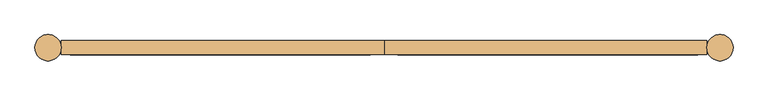
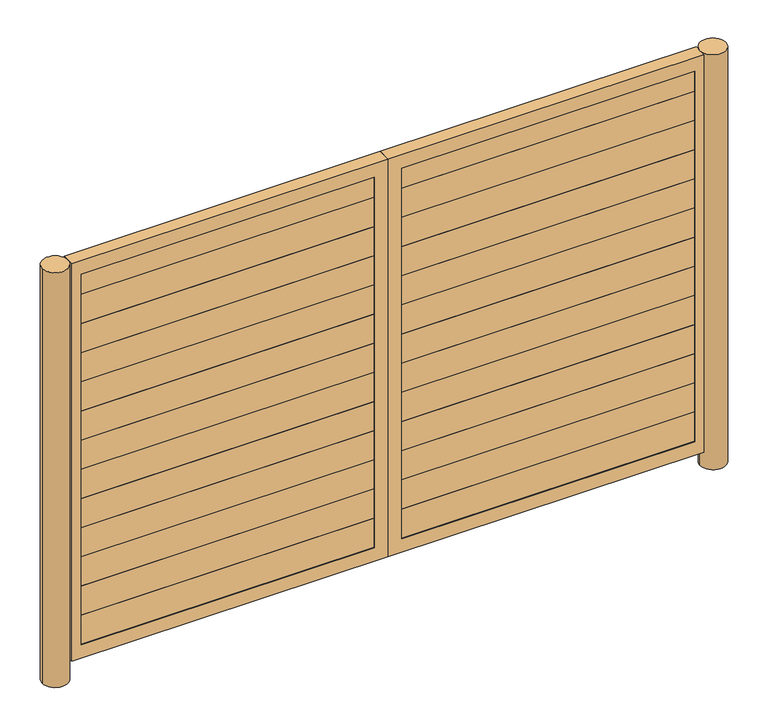
"""IFC4 building model written with IfcOpenShell, lengths in millimetres: door geometry."""

from ifc_helpers import new_model, si_unit, point, frame, frame_2d, origin, origin_with_axes, place, context, project, spatial, polyline, circle_curve, trimmed, segment, composite_curve, outline, extrude, source, transform, mapped, element, save


def door_3a45af48(model_context):
    return source(origin(), model_context, "Body", "SweptSolid", [
        extrude(outline(polyline([(33.3375, 2238.375), (-33.3375, 2238.375), (-33.3375, 2409.825), (33.3375, 2409.825), (33.3375, 2385.21875), (-4.7625, 2348.70625), (-4.7625, 2299.49375), (33.3375, 2262.98125), (33.3375, 2238.375)])), frame((-1706.5625, 0.0, 0.0), z_axis=(1.0, 0.0, 0.0), x_axis=(0.0, 1.0, 0.0)), (0.0, 0.0, 1.0), 1630.3625),
        extrude(outline(polyline([(33.3375, 2066.925), (-33.3375, 2066.925), (-33.3375, 2238.375), (33.3375, 2238.375), (33.3375, 2213.76875), (-4.7625, 2177.25625), (-4.7625, 2128.04375), (33.3375, 2091.53125), (33.3375, 2066.925)])), frame((-1706.5625, 0.0, 0.0), z_axis=(1.0, 0.0, 0.0), x_axis=(0.0, 1.0, 0.0)), (0.0, 0.0, 1.0), 1630.3625),
        extrude(outline(polyline([(33.3375, 1895.475), (-33.3375, 1895.475), (-33.3375, 2066.925), (33.3375, 2066.925), (33.3375, 2042.31875), (-4.7625, 2005.80625), (-4.7625, 1956.59375), (33.3375, 1920.08125), (33.3375, 1895.475)])), frame((-1706.5625, 0.0, 0.0), z_axis=(1.0, 0.0, 0.0), x_axis=(0.0, 1.0, 0.0)), (0.0, 0.0, 1.0), 1630.3625),
        extrude(outline(polyline([(33.3375, 1724.025), (-33.3375, 1724.025), (-33.3375, 1895.475), (33.3375, 1895.475), (33.3375, 1870.86875), (-4.7625, 1834.35625), (-4.7625, 1785.14375), (33.3375, 1748.63125), (33.3375, 1724.025)])), frame((-1706.5625, 0.0, 0.0), z_axis=(1.0, 0.0, 0.0), x_axis=(0.0, 1.0, 0.0)), (0.0, 0.0, 1.0), 1630.3625),
        extrude(outline(polyline([(33.3375, 1552.575), (-33.3375, 1552.575), (-33.3375, 1724.025), (33.3375, 1724.025), (33.3375, 1699.41875), (-4.7625, 1662.90625), (-4.7625, 1613.69375), (33.3375, 1577.18125), (33.3375, 1552.575)])), frame((-1706.5625, 0.0, 0.0), z_axis=(1.0, 0.0, 0.0), x_axis=(0.0, 1.0, 0.0)), (0.0, 0.0, 1.0), 1630.3625),
        extrude(outline(polyline([(33.3375, 1381.125), (-33.3375, 1381.125), (-33.3375, 1552.575), (33.3375, 1552.575), (33.3375, 1527.96875), (-4.7625, 1491.45625), (-4.7625, 1442.24375), (33.3375, 1405.73125), (33.3375, 1381.125)])), frame((-1706.5625, 0.0, 0.0), z_axis=(1.0, 0.0, 0.0), x_axis=(0.0, 1.0, 0.0)), (0.0, 0.0, 1.0), 1630.3625),
        extrude(outline(polyline([(33.3375, 1209.675), (-33.3375, 1209.675), (-33.3375, 1381.125), (33.3375, 1381.125), (33.3375, 1356.51875), (-4.7625, 1320.00625), (-4.7625, 1270.79375), (33.3375, 1234.28125), (33.3375, 1209.675)])), frame((-1706.5625, 0.0, 0.0), z_axis=(1.0, 0.0, 0.0), x_axis=(0.0, 1.0, 0.0)), (0.0, 0.0, 1.0), 1630.3625),
        extrude(outline(polyline([(33.3375, 1038.225), (-33.3375, 1038.225), (-33.3375, 1209.675), (33.3375, 1209.675), (33.3375, 1185.06875), (-4.7625, 1148.55625), (-4.7625, 1099.34375), (33.3375, 1062.83125), (33.3375, 1038.225)])), frame((-1706.5625, 0.0, 0.0), z_axis=(1.0, 0.0, 0.0), x_axis=(0.0, 1.0, 0.0)), (0.0, 0.0, 1.0), 1630.3625),
        extrude(outline(polyline([(33.3375, 866.775), (-33.3375, 866.775), (-33.3375, 1038.225), (33.3375, 1038.225), (33.3375, 1013.61875), (-4.7625, 977.10625), (-4.7625, 927.89375), (33.3375, 891.38125), (33.3375, 866.775)])), frame((-1706.5625, 0.0, 0.0), z_axis=(1.0, 0.0, 0.0), x_axis=(0.0, 1.0, 0.0)), (0.0, 0.0, 1.0), 1630.3625),
        extrude(outline(polyline([(33.3375, 695.325), (-33.3375, 695.325), (-33.3375, 866.775), (33.3375, 866.775), (33.3375, 842.16875), (-4.7625, 805.65625), (-4.7625, 756.44375), (33.3375, 719.93125), (33.3375, 695.325)])), frame((-1706.5625, 0.0, 0.0), z_axis=(1.0, 0.0, 0.0), x_axis=(0.0, 1.0, 0.0)), (0.0, 0.0, 1.0), 1630.3625),
        extrude(outline(polyline([(33.3375, 523.875), (-33.3375, 523.875), (-33.3375, 695.325), (33.3375, 695.325), (33.3375, 670.71875), (-4.7625, 634.20625), (-4.7625, 584.99375), (33.3375, 548.48125), (33.3375, 523.875)])), frame((-1706.5625, 0.0, 0.0), z_axis=(1.0, 0.0, 0.0), x_axis=(0.0, 1.0, 0.0)), (0.0, 0.0, 1.0), 1630.3625),
        extrude(outline(polyline([(33.3375, 352.425), (-33.3375, 352.425), (-33.3375, 523.875), (33.3375, 523.875), (33.3375, 499.26875), (-4.7625, 462.75625), (-4.7625, 413.54375), (33.3375, 377.03125), (33.3375, 352.425)])), frame((-1706.5625, 0.0, 0.0), z_axis=(1.0, 0.0, 0.0), x_axis=(0.0, 1.0, 0.0)), (0.0, 0.0, 1.0), 1630.3625),
        extrude(outline(polyline([(33.3375, 180.975), (-33.3375, 180.975), (-33.3375, 352.425), (33.3375, 352.425), (33.3375, 327.81875), (-4.7625, 291.30625), (-4.7625, 242.09375), (33.3375, 205.58125), (33.3375, 180.975)])), frame((-1706.5625, 0.0, 0.0), z_axis=(1.0, 0.0, 0.0), x_axis=(0.0, 1.0, 0.0)), (0.0, 0.0, 1.0), 1630.3625),
        extrude(outline(polyline([(33.3375, 2238.375), (-33.3375, 2238.375), (-33.3375, 2409.825), (33.3375, 2409.825), (33.3375, 2385.21875), (-4.7625, 2348.70625), (-4.7625, 2299.49375), (33.3375, 2262.98125), (33.3375, 2238.375)])), frame((76.2, 0.0, 0.0), z_axis=(1.0, 0.0, 0.0), x_axis=(0.0, 1.0, 0.0)), (0.0, 0.0, 1.0), 1630.3625),
        extrude(outline(polyline([(33.3375, 2066.925), (-33.3375, 2066.925), (-33.3375, 2238.375), (33.3375, 2238.375), (33.3375, 2213.76875), (-4.7625, 2177.25625), (-4.7625, 2128.04375), (33.3375, 2091.53125), (33.3375, 2066.925)])), frame((76.2, 0.0, 0.0), z_axis=(1.0, 0.0, 0.0), x_axis=(0.0, 1.0, 0.0)), (0.0, 0.0, 1.0), 1630.3625),
        extrude(outline(polyline([(33.3375, 1895.475), (-33.3375, 1895.475), (-33.3375, 2066.925), (33.3375, 2066.925), (33.3375, 2042.31875), (-4.7625, 2005.80625), (-4.7625, 1956.59375), (33.3375, 1920.08125), (33.3375, 1895.475)])), frame((76.2, 0.0, 0.0), z_axis=(1.0, 0.0, 0.0), x_axis=(0.0, 1.0, 0.0)), (0.0, 0.0, 1.0), 1630.3625),
        extrude(outline(polyline([(33.3375, 1724.025), (-33.3375, 1724.025), (-33.3375, 1895.475), (33.3375, 1895.475), (33.3375, 1870.86875), (-4.7625, 1834.35625), (-4.7625, 1785.14375), (33.3375, 1748.63125), (33.3375, 1724.025)])), frame((76.2, 0.0, 0.0), z_axis=(1.0, 0.0, 0.0), x_axis=(0.0, 1.0, 0.0)), (0.0, 0.0, 1.0), 1630.3625),
        extrude(outline(polyline([(33.3375, 1552.575), (-33.3375, 1552.575), (-33.3375, 1724.025), (33.3375, 1724.025), (33.3375, 1699.41875), (-4.7625, 1662.90625), (-4.7625, 1613.69375), (33.3375, 1577.18125), (33.3375, 1552.575)])), frame((76.2, 0.0, 0.0), z_axis=(1.0, 0.0, 0.0), x_axis=(0.0, 1.0, 0.0)), (0.0, 0.0, 1.0), 1630.3625),
        extrude(outline(polyline([(33.3375, 1381.125), (-33.3375, 1381.125), (-33.3375, 1552.575), (33.3375, 1552.575), (33.3375, 1527.96875), (-4.7625, 1491.45625), (-4.7625, 1442.24375), (33.3375, 1405.73125), (33.3375, 1381.125)])), frame((76.2, 0.0, 0.0), z_axis=(1.0, 0.0, 0.0), x_axis=(0.0, 1.0, 0.0)), (0.0, 0.0, 1.0), 1630.3625),
        extrude(outline(polyline([(33.3375, 1209.675), (-33.3375, 1209.675), (-33.3375, 1381.125), (33.3375, 1381.125), (33.3375, 1356.51875), (-4.7625, 1320.00625), (-4.7625, 1270.79375), (33.3375, 1234.28125), (33.3375, 1209.675)])), frame((76.2, 0.0, 0.0), z_axis=(1.0, 0.0, 0.0), x_axis=(0.0, 1.0, 0.0)), (0.0, 0.0, 1.0), 1630.3625),
        extrude(outline(polyline([(33.3375, 1038.225), (-33.3375, 1038.225), (-33.3375, 1209.675), (33.3375, 1209.675), (33.3375, 1185.06875), (-4.7625, 1148.55625), (-4.7625, 1099.34375), (33.3375, 1062.83125), (33.3375, 1038.225)])), frame((76.2, 0.0, 0.0), z_axis=(1.0, 0.0, 0.0), x_axis=(0.0, 1.0, 0.0)), (0.0, 0.0, 1.0), 1630.3625),
        extrude(outline(polyline([(33.3375, 866.775), (-33.3375, 866.775), (-33.3375, 1038.225), (33.3375, 1038.225), (33.3375, 1013.61875), (-4.7625, 977.10625), (-4.7625, 927.89375), (33.3375, 891.38125), (33.3375, 866.775)])), frame((76.2, 0.0, 0.0), z_axis=(1.0, 0.0, 0.0), x_axis=(0.0, 1.0, 0.0)), (0.0, 0.0, 1.0), 1630.3625),
        extrude(outline(polyline([(33.3375, 695.325), (-33.3375, 695.325), (-33.3375, 866.775), (33.3375, 866.775), (33.3375, 842.16875), (-4.7625, 805.65625), (-4.7625, 756.44375), (33.3375, 719.93125), (33.3375, 695.325)])), frame((76.2, 0.0, 0.0), z_axis=(1.0, 0.0, 0.0), x_axis=(0.0, 1.0, 0.0)), (0.0, 0.0, 1.0), 1630.3625),
        extrude(outline(polyline([(33.3375, 523.875), (-33.3375, 523.875), (-33.3375, 695.325), (33.3375, 695.325), (33.3375, 670.71875), (-4.7625, 634.20625), (-4.7625, 584.99375), (33.3375, 548.48125), (33.3375, 523.875)])), frame((76.2, 0.0, 0.0), z_axis=(1.0, 0.0, 0.0), x_axis=(0.0, 1.0, 0.0)), (0.0, 0.0, 1.0), 1630.3625),
        extrude(outline(polyline([(33.3375, 352.425), (-33.3375, 352.425), (-33.3375, 523.875), (33.3375, 523.875), (33.3375, 499.26875), (-4.7625, 462.75625), (-4.7625, 413.54375), (33.3375, 377.03125), (33.3375, 352.425)])), frame((76.2, 0.0, 0.0), z_axis=(1.0, 0.0, 0.0), x_axis=(0.0, 1.0, 0.0)), (0.0, 0.0, 1.0), 1630.3625),
        extrude(outline(polyline([(33.3375, 180.975), (-33.3375, 180.975), (-33.3375, 352.425), (33.3375, 352.425), (33.3375, 327.81875), (-4.7625, 291.30625), (-4.7625, 242.09375), (33.3375, 205.58125), (33.3375, 180.975)])), frame((76.2, 0.0, 0.0), z_axis=(1.0, 0.0, 0.0), x_axis=(0.0, 1.0, 0.0)), (0.0, 0.0, 1.0), 1630.3625),
        extrude(outline(composite_curve([segment(trimmed(circle_curve(frame_2d((-1828.8, 0.0)), 71.4375), [point((-1900.2375, 0.0))], [point((-1757.3625, 0.0))], False, "CARTESIAN"), True, "CONTINUOUS"), segment(trimmed(circle_curve(frame_2d((-1828.8, 0.0)), 71.4375), [point((-1757.3625, 0.0))], [point((-1900.2375, 0.0))], False, "CARTESIAN"), True, "CONTINUOUS")], self_intersect=False)), origin_with_axes(), (0.0, 0.0, 1.0), 2438.4),
        extrude(outline(composite_curve([segment(trimmed(circle_curve(frame_2d((1828.8, 0.0)), 71.4375), [point((1757.3625, 0.0))], [point((1900.2375, 0.0))], False, "CARTESIAN"), True, "CONTINUOUS"), segment(trimmed(circle_curve(frame_2d((1828.8, 0.0)), 71.4375), [point((1900.2375, 0.0))], [point((1757.3625, 0.0))], False, "CARTESIAN"), True, "CONTINUOUS")], self_intersect=False)), origin_with_axes(), (0.0, 0.0, 1.0), 2438.4),
        extrude(outline(polyline([(2438.4, -1757.3625), (101.6, -1757.3625), (101.6, 0.0), (2438.4, 0.0), (2438.4, -1757.3625)]), holes=[polyline([(2359.025, -1706.5625), (2359.025, -76.2), (180.975, -76.2), (180.975, -1706.5625), (2359.025, -1706.5625)])]), frame((0.0, -38.1, 0.0), z_axis=(0.0, 1.0, 0.0), x_axis=(0.0, 0.0, 1.0)), (0.0, 0.0, 1.0), 76.2),
        extrude(outline(polyline([(2438.4, 0.0), (101.6, 0.0), (101.6, 1757.3625), (2438.4, 1757.3625), (2438.4, 0.0)]), holes=[polyline([(2359.025, 76.2), (2359.025, 1706.5625), (180.975, 1706.5625), (180.975, 76.2), (2359.025, 76.2)])]), frame((0.0, -38.1, 0.0), z_axis=(0.0, 1.0, 0.0), x_axis=(0.0, 0.0, 1.0)), (0.0, 0.0, 1.0), 76.2),
    ])


if __name__ == "__main__":
    model = new_model("IFC4")
    model_context = context("Model", 3, world=origin())
    ifc_project = project(units=[si_unit("LENGTHUNIT", "METRE", prefix="MILLI")], contexts=[model_context])
    site = spatial("IfcSite", under=ifc_project)
    building = spatial("IfcBuilding", under=site)
    placement = place(None, origin())
    door_shape = door_3a45af48(model_context)
    element("IfcDoor", 1, at=placement, inside=building, context=model_context, shape_type="MappedRepresentation", body=[
        mapped(door_shape, transform((0.0, 0.0, 0.0), x_axis=(1.0, 0.0, 0.0), y_axis=(0.0, 1.0, 0.0), z_axis=(0.0, 0.0, 1.0))),
    ])
    save(model, "model.ifc")
